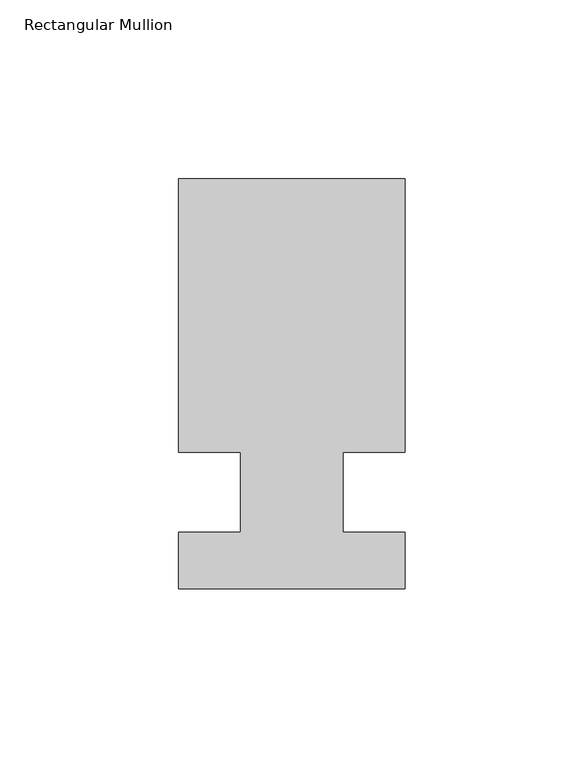
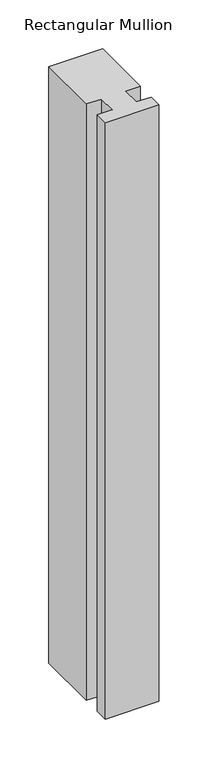
"""IFC4 building model written with IfcOpenShell, lengths in millimetres: member geometry, Rectangular Mullion."""

import ifcopenshell
import ifcopenshell.guid

model = None  # the IFC model being written
_history = None  # IfcOwnerHistory: only IFC2X3 demands one
_inside = {}  # id of a spatial element -> (the spatial element, [elements in it])
_under = {}  # id of a project, library or spatial element -> (it, [spatial elements below it])
_declared = {}  # id of a project -> (the project, [libraries it declares])
_typed = {}  # id of a type object -> (the type object, [elements of that type])
_made_of = {}  # id of a material, layer set ... -> (it, [elements and type objects made of it])


def new_model(schema):
    """Start an empty IFC model of exactly this schema.

    Asked for "IFC4X3", IfcOpenShell would pick the latest addendum, in which some entities
    have other attributes; the version numbers below select the first issue.
    IFC2X3 requires an IfcOwnerHistory on every rooted entity: one is made here for all.
    """
    global model, _history
    if schema == "IFC4X3":
        model = ifcopenshell.file(schema_version=(4, 3, 0, 0))
    else:
        model = ifcopenshell.file(schema=schema)
    _inside.clear()
    _under.clear()
    _declared.clear()
    _typed.clear()
    _made_of.clear()
    _history = None
    if model.schema == "IFC2X3":
        org = make("IfcOrganization", Name="unknown")
        user = make(
            "IfcPersonAndOrganization",
            ThePerson=make("IfcPerson", FamilyName="unknown"),
            TheOrganization=org,
        )
        app = make(
            "IfcApplication",
            ApplicationDeveloper=org,
            Version="unknown",
            ApplicationFullName="unknown",
            ApplicationIdentifier="unknown",
        )
        _history = make(
            "IfcOwnerHistory",
            OwningUser=user,
            OwningApplication=app,
            ChangeAction="ADDED",
            CreationDate=0,
        )
    return model


def make(cls, **values):
    """One entity of the class cls with the attributes given. An attribute that is None is left unset."""
    return model.create_entity(
        cls, **{name: value for name, value in values.items() if value is not None}
    )


def rooted(cls, **values):
    """An entity with a GlobalId (a new one), such as an element, a storey or a relation."""
    return make(cls, GlobalId=ifcopenshell.guid.new(), OwnerHistory=_history, **values)


def si_unit(unit_type, name, prefix=None):
    """IfcSIUnit, for example si_unit("LENGTHUNIT", "METRE", prefix="MILLI")."""
    return make("IfcSIUnit", UnitType=unit_type, Prefix=prefix, Name=name)


def assignment(units):
    """IfcUnitAssignment: the units of a project."""
    return None if units is None else make("IfcUnitAssignment", Units=units)


def point(xyz):
    """IfcCartesianPoint."""
    return None if xyz is None else make("IfcCartesianPoint", Coordinates=xyz)


def direction(xyz):
    """IfcDirection."""
    return None if xyz is None else make("IfcDirection", DirectionRatios=xyz)


def frame(location, z_axis=None, x_axis=None):
    """IfcAxis2Placement3D, a coordinate frame: its origin and axes. An axis left out is left unset."""
    return make(
        "IfcAxis2Placement3D",
        Location=point(location),
        Axis=direction(z_axis),
        RefDirection=direction(x_axis),
    )


def origin():
    """The frame at (0, 0, 0) with its axes left unset."""
    return frame((0.0, 0.0, 0.0))


def place(relative_to, where):
    """IfcLocalPlacement: puts the frame where relative to a parent placement (None: the world)."""
    return make(
        "IfcLocalPlacement", PlacementRelTo=relative_to, RelativePlacement=where
    )


def context(
    kind, dimensions, precision=None, world=None, true_north=None, identifier=None
):
    """IfcGeometricRepresentationContext, for example the 3D "Model" context."""
    return make(
        "IfcGeometricRepresentationContext",
        ContextIdentifier=identifier,
        ContextType=kind,
        CoordinateSpaceDimension=dimensions,
        Precision=precision,
        WorldCoordinateSystem=world,
        TrueNorth=true_north,
    )


def project(units=None, contexts=None):
    """IfcProject with its units and contexts."""
    return rooted(
        "IfcProject",
        Name="project",
        RepresentationContexts=contexts,
        UnitsInContext=assignment(units),
    )


def spatial(cls, under=None, at=None, **own):
    """A site, building, storey or space (cls), placed at a placement, below another one or the project."""
    s = rooted(cls, ObjectPlacement=at, **own)
    if under is not None:
        _under.setdefault(under.id(), (under, []))[1].append(s)
    return s


def polyline(points):
    """IfcPolyline through the points."""
    return make("IfcPolyline", Points=[point(p) for p in points])


def outline(outer, holes=None, kind="AREA"):
    """IfcArbitraryClosedProfileDef: a profile drawn as a closed curve; with holes, ...WithVoids."""
    if holes is None:
        return make("IfcArbitraryClosedProfileDef", ProfileType=kind, OuterCurve=outer)
    return make(
        "IfcArbitraryProfileDefWithVoids",
        ProfileType=kind,
        OuterCurve=outer,
        InnerCurves=holes,
    )


def extrude(swept, where, along, depth):
    """IfcExtrudedAreaSolid: the profile swept, set in the frame where, extruded along a direction by depth."""
    return make(
        "IfcExtrudedAreaSolid",
        SweptArea=swept,
        Position=where,
        ExtrudedDirection=direction(along),
        Depth=depth,
    )


def shape(context_of_items, identifier, shape_type, items):
    """IfcShapeRepresentation: the items that make up one representation, for example the "Body"."""
    return make(
        "IfcShapeRepresentation",
        ContextOfItems=context_of_items,
        RepresentationIdentifier=identifier,
        RepresentationType=shape_type,
        Items=items,
    )


def source(mapping_origin, context_of_items, identifier, shape_type, items):
    """IfcRepresentationMap: a shape defined once, which mapped items show again and again."""
    return make(
        "IfcRepresentationMap",
        MappingOrigin=mapping_origin,
        MappedRepresentation=shape(context_of_items, identifier, shape_type, items),
    )


def transform(
    local_origin,
    x_axis=None,
    y_axis=None,
    z_axis=None,
    scale=None,
    scale2=None,
    scale3=None,
    uniform=True,
):
    """IfcCartesianTransformationOperator3D, or its non-uniform kind. x_axis, y_axis, z_axis: its Axis1, 2, 3."""
    if uniform:
        return make(
            "IfcCartesianTransformationOperator3D",
            Axis1=direction(x_axis),
            Axis2=direction(y_axis),
            LocalOrigin=point(local_origin),
            Scale=scale,
            Axis3=direction(z_axis),
        )
    return make(
        "IfcCartesianTransformationOperator3DnonUniform",
        Axis1=direction(x_axis),
        Axis2=direction(y_axis),
        LocalOrigin=point(local_origin),
        Scale=scale,
        Axis3=direction(z_axis),
        Scale2=scale2,
        Scale3=scale3,
    )


def mapped(mapping_source, mapping_target):
    """IfcMappedItem: shows the shape of a source again, moved by a transform."""
    return make(
        "IfcMappedItem", MappingSource=mapping_source, MappingTarget=mapping_target
    )


def made_of(thing, what):
    """Note that an element or type object is made of a material, layer set ...; save() writes the relation."""
    if what is not None:
        _made_of.setdefault(what.id(), (what, []))[1].append(thing)
    return thing


def element(
    cls,
    number,
    at=None,
    inside=None,
    cuts=None,
    type_object=None,
    material=None,
    context=None,
    identifier="Body",
    shape_type=None,
    held_by="IfcProductDefinitionShape",
    body=None,
    shapes=None,
    **own,
):
    """One element of the class cls, such as IfcWall. Its Tag is "e" and its number.

    at: its placement. inside: the storey or other place that contains it. cuts: it is an
    opening in that element (IfcRelVoidsElement). A single representation is given by context,
    identifier, shape_type and body (its items); several are given by shapes. held_by: the class
    of the entity that holds the representations. save() writes the other relations.
    """
    e = rooted(cls, Tag="e%d" % number, ObjectPlacement=at, **own)
    if body is not None:
        shapes = [shape(context, identifier, shape_type, body)]
    if shapes is not None:
        e.Representation = make(held_by, Representations=shapes)
    if inside is not None:
        _inside.setdefault(inside.id(), (inside, []))[1].append(e)
    if cuts is not None:
        rooted(
            "IfcRelVoidsElement", RelatingBuildingElement=cuts, RelatedOpeningElement=e
        )
    if type_object is not None:
        _typed.setdefault(type_object.id(), (type_object, []))[1].append(e)
    return made_of(e, material)


def aggregate(whole, parts):
    """IfcRelAggregates: a whole, such as a stair, and the parts it consists of."""
    return rooted("IfcRelAggregates", RelatingObject=whole, RelatedObjects=parts)


def save(model, path):
    """Write the relations noted so far, then the file.

    IfcRelAggregates (storeys below a building ...), IfcRelContainedInSpatialStructure (elements
    in a storey), IfcRelDefinesByType, IfcRelAssociatesMaterial and IfcRelDeclares: one each for
    every whole, place, type object, material and project.
    """
    for whole, parts in _under.values():
        aggregate(whole, parts)
    for where, things in _inside.values():
        rooted(
            "IfcRelContainedInSpatialStructure",
            RelatedElements=things,
            RelatingStructure=where,
        )
    for kind, things in _typed.values():
        rooted("IfcRelDefinesByType", RelatedObjects=things, RelatingType=kind)
    for what, things in _made_of.values():
        rooted("IfcRelAssociatesMaterial", RelatedObjects=things, RelatingMaterial=what)
    for by, libraries in _declared.values():
        rooted("IfcRelDeclares", RelatingContext=by, RelatedDefinitions=libraries)
    model.write(path)


def rectangular_mullion_d4d91eb4(model_context):
    return source(origin(), model_context, "Body", "SweptSolid", [
        extrude(outline(polyline([(-31.75, -53.9059438), (-31.75, -38.0563438), (-14.2875, -38.0563438), (-14.2875, -15.5773438), (-31.75, -15.5773437), (-31.75, 60.9528562), (31.75, 60.9528562), (31.75, -15.5773438), (14.2875, -15.5773437), (14.2875, -38.0563438), (31.75, -38.0563438), (31.75, -53.9059438), (-31.75, -53.9059438)])), frame((0.0, 0.0, -744.4278414), z_axis=(0.0, 0.0, 1.0), x_axis=(1.0, 0.0, 0.0)), (0.0, 0.0, 1.0), 744.4278414),
    ])


if __name__ == "__main__":
    model = new_model("IFC4")
    model_context = context("Model", 3, world=origin())
    ifc_project = project(units=[si_unit("LENGTHUNIT", "METRE", prefix="MILLI")], contexts=[model_context])
    site = spatial("IfcSite", under=ifc_project)
    building = spatial("IfcBuilding", under=site)
    placement = place(None, origin())
    rectangular_mullion_shape = rectangular_mullion_d4d91eb4(model_context)
    element("IfcMember", 1, ObjectType="Rectangular Mullion", at=placement, inside=building, context=model_context, shape_type="MappedRepresentation", body=[
        mapped(rectangular_mullion_shape, transform((0.0, 0.0, 0.0), x_axis=(1.0, 0.0, 0.0), y_axis=(0.0, 1.0, 0.0), z_axis=(0.0, 0.0, 1.0))),
    ])
    save(model, "model.ifc")
